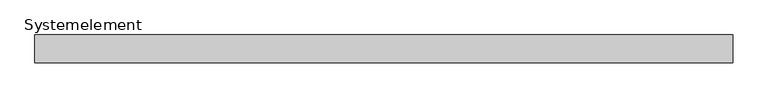
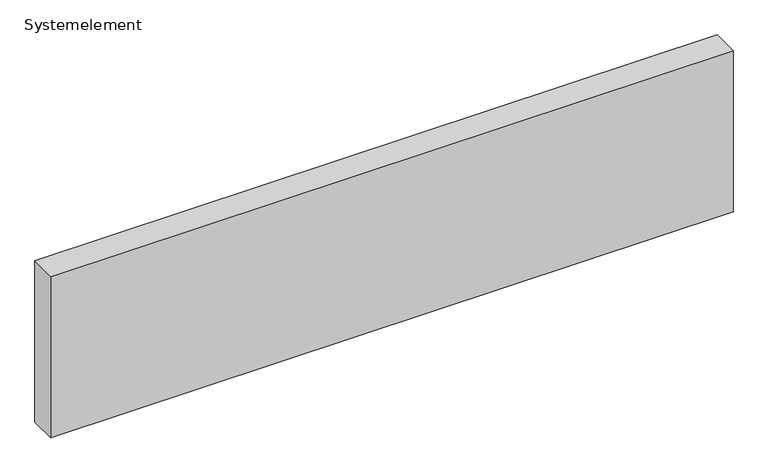
"""IFC4 building model written with IfcOpenShell, lengths in millimetres: plate geometry, Systemelement."""

from ifc_helpers import new_model, si_unit, origin, origin_with_axes, place, context, project, spatial, polyline, outline, extrude, source, transform, mapped, element, save


def systemelement_9e359e96(model_context):
    return source(origin(), model_context, "Body", "SweptSolid", [
        extrude(outline(polyline([(2000.0, -160.0), (-2000.0, -160.0), (-2000.0, 0.0), (2000.0, 0.0), (2000.0, -160.0)])), origin_with_axes(), (0.0, 0.0, 1.0), 1000.0),
    ])


if __name__ == "__main__":
    model = new_model("IFC4")
    model_context = context("Model", 3, world=origin())
    ifc_project = project(units=[si_unit("LENGTHUNIT", "METRE", prefix="MILLI")], contexts=[model_context])
    site = spatial("IfcSite", under=ifc_project)
    building = spatial("IfcBuilding", under=site)
    placement = place(None, origin())
    systemelement_shape = systemelement_9e359e96(model_context)
    element("IfcPlate", 1, ObjectType="Systemelement", at=placement, inside=building, context=model_context, shape_type="MappedRepresentation", body=[
        mapped(systemelement_shape, transform((0.0, 0.0, 0.0), x_axis=(1.0, 0.0, 0.0), y_axis=(0.0, 1.0, 0.0), z_axis=(0.0, 0.0, 1.0))),
    ])
    save(model, "model.ifc")
